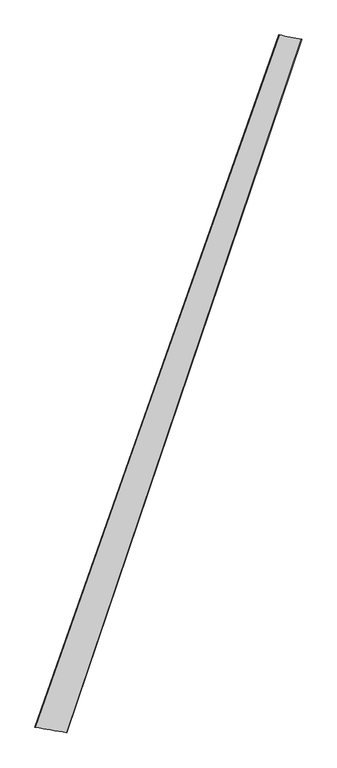
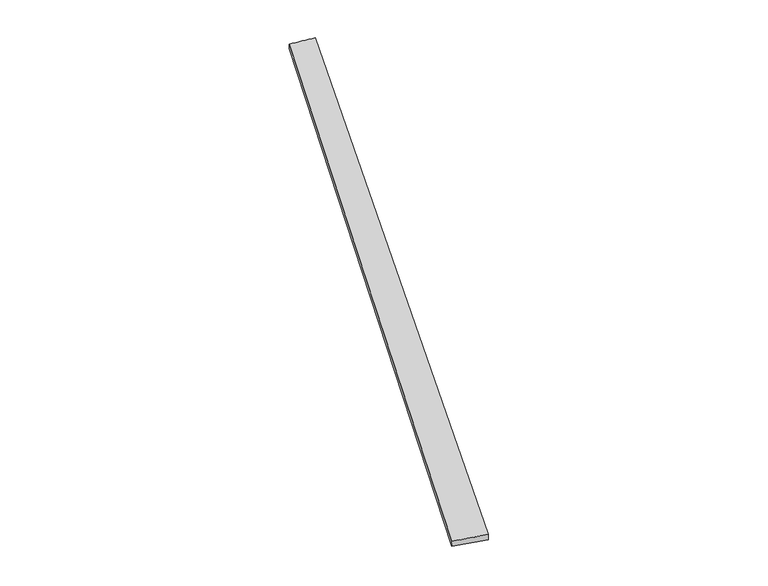
"""IFC4 building model written with IfcOpenShell, lengths in millimetres: proxy geometry."""

from ifc_helpers import new_model, si_unit, origin, place, context, project, spatial, source, transform, mapped, element, save
from ifc_brep_helpers import spline_surface, advanced_brep


def generic_models_bc1edb83(model_context):
    return source(origin(), model_context, "Body", "AdvancedBrep", [
        advanced_brep(
        [(-719.6329171, -1823.0700566, 2.9548595), (-719.05326, -1823.2221168, 32.9488735), (708.5503384, 2232.5435603, 25.8214869), (710.2722242, 2231.8841122, -4.1217968), (-531.904712, -1854.6625223, 27.0106487), (840.7870871, 2205.9059871, 34.0709706), (-533.1629008, -1854.1838452, -2.9591333), (842.5235936, 2205.3697896, 4.1260706)],
        [
            (0, 1),
            (1, 2),
            (2, 3),
            (3, 0),
            (1, 4),
            (4, 5),
            (5, 2),
            (4, 6),
            (6, 7),
            (7, 5),
            (6, 0),
            (3, 7),
        ],
        [
            spline_surface(1, 1, [[(-719.6329171, -1823.0700566, 2.9548595), (710.2722242, 2231.8841122, -4.1217968)], [(-719.05326, -1823.2221168, 32.9488735), (708.5503384, 2232.5435603, 25.8214869)]], [2, 2], [2, 2], [0.0, 1.0], [0.0, 1.0]),
            spline_surface(1, 1, [[(-719.05326, -1823.2221168, 32.9488735), (708.5503384, 2232.5435603, 25.8214869)], [(-531.904712, -1854.6625223, 27.0106487), (840.7870871, 2205.9059871, 34.0709706)]], [2, 2], [2, 2], [0.0, 1.0], [0.0, 1.0]),
            spline_surface(1, 1, [[(-531.904712, -1854.6625223, 27.0106487), (840.7870871, 2205.9059871, 34.0709706)], [(-533.1629008, -1854.1838452, -2.9591333), (842.5235936, 2205.3697896, 4.1260706)]], [2, 2], [2, 2], [0.0, 1.0], [0.0, 1.0]),
            spline_surface(1, 1, [[(-533.1629008, -1854.1838452, -2.9591333), (842.5235936, 2205.3697896, 4.1260706)], [(-719.6329171, -1823.0700566, 2.9548595), (710.2722242, 2231.8841122, -4.1217968)]], [2, 2], [2, 2], [0.0, 1.0], [0.0, 1.0]),
            spline_surface(1, 1, [[(708.5503384, 2232.5435603, 25.8214869), (710.2722242, 2231.8841122, -4.1217968)], [(840.7870871, 2205.9059871, 34.0709706), (842.5235936, 2205.3697896, 4.1260706)]], [2, 2], [2, 2], [0.0, 1.0], [0.0, 1.0]),
            spline_surface(1, 1, [[(-533.1629008, -1854.1838452, -2.9591333), (-719.6329171, -1823.0700566, 2.9548595)], [(-531.904712, -1854.6625223, 27.0106487), (-719.05326, -1823.2221168, 32.9488735)]], [2, 2], [2, 2], [0.0, 1.0], [0.0, 1.0]),
        ],
        [
            (0, [[1, 2, 3, 4]]),
            (1, [[5, 6, 7, -2]]),
            (2, [[8, 9, 10, -6]]),
            (3, [[11, -4, 12, -9]]),
            (4, [[-3, -7, -10, -12]]),
            (5, [[-11, -8, -5, -1]]),
        ],
    ),
    ])


if __name__ == "__main__":
    model = new_model("IFC4")
    model_context = context("Model", 3, world=origin())
    ifc_project = project(units=[si_unit("LENGTHUNIT", "METRE", prefix="MILLI")], contexts=[model_context])
    site = spatial("IfcSite", under=ifc_project)
    building = spatial("IfcBuilding", under=site)
    placement = place(None, origin())
    generic_models_shape = generic_models_bc1edb83(model_context)
    element("IfcBuildingElementProxy", 1, Name="Generic Models", at=placement, inside=building, context=model_context, shape_type="MappedRepresentation", body=[
        mapped(generic_models_shape, transform((0.0, 0.0, 0.0), x_axis=(1.0, 0.0, 0.0), y_axis=(0.0, 1.0, 0.0), z_axis=(0.0, 0.0, 1.0))),
    ])
    save(model, "model.ifc")
